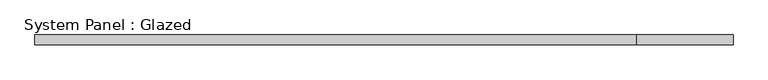
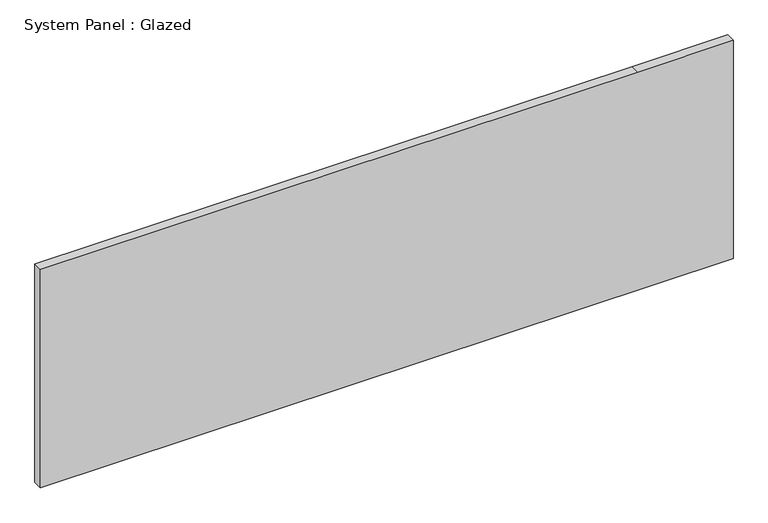
"""IFC4 building model written with IfcOpenShell, lengths in millimetres: plate geometry, System Panel : Glazed."""

from ifc_helpers import new_model, si_unit, frame, origin, place, context, project, spatial, polyline, outline, extrude, source, transform, mapped, element, save


def system_panel_glazed_d7a1c4ac(model_context):
    return source(origin(), model_context, "Body", "SweptSolid", [
        extrude(outline(polyline([(0.0, -914.4), (0.0, 914.4), (609.6, 914.4), (609.6, 662.2972443), (609.6, -914.4), (0.0, -914.4)])), frame((0.0, 19.05, 0.0), z_axis=(0.0, 1.0, 0.0), x_axis=(0.0, 0.0, 1.0)), (0.0, 0.0, 1.0), 25.4),
    ])


if __name__ == "__main__":
    model = new_model("IFC4")
    model_context = context("Model", 3, world=origin())
    ifc_project = project(units=[si_unit("LENGTHUNIT", "METRE", prefix="MILLI")], contexts=[model_context])
    site = spatial("IfcSite", under=ifc_project)
    building = spatial("IfcBuilding", under=site)
    placement = place(None, origin())
    system_panel_glazed_shape = system_panel_glazed_d7a1c4ac(model_context)
    element("IfcPlate", 1, ObjectType="System Panel : Glazed", at=placement, inside=building, context=model_context, shape_type="MappedRepresentation", body=[
        mapped(system_panel_glazed_shape, transform((0.0, 0.0, 0.0), x_axis=(1.0, 0.0, 0.0), y_axis=(0.0, 1.0, 0.0), z_axis=(0.0, 0.0, 1.0))),
    ])
    save(model, "model.ifc")
